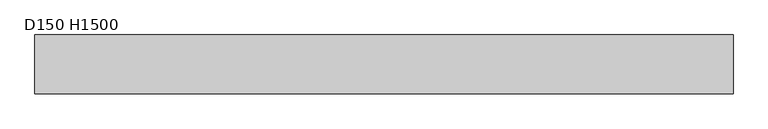
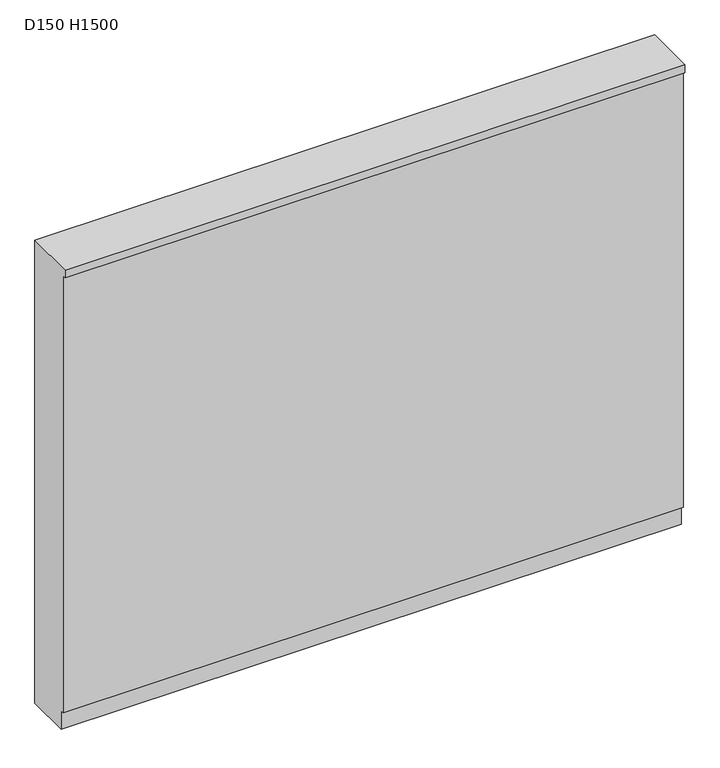
"""IFC4 building model written with IfcOpenShell, lengths in millimetres: proxy geometry, D150 H1500."""

from ifc_helpers import new_model, si_unit, frame, origin, place, context, project, spatial, polyline, outline, extrude, source, transform, mapped, element, save


def d150_h1500_9903e80e(model_context):
    return source(origin(), model_context, "Body", "SweptSolid", [
        extrude(outline(polyline([(-160.0, 1475.0), (-160.0, 1500.0), (0.0, 1500.0), (0.0, 0.0), (-140.0, 0.0), (-140.0, 60.0), (-150.0, 60.0), (-150.0, 1475.0), (-160.0, 1475.0)])), frame((0.0, 0.0, 0.0), z_axis=(1.0, 0.0, 0.0), x_axis=(0.0, 1.0, 0.0)), (0.0, 0.0, 1.0), 1900.0),
    ])


if __name__ == "__main__":
    model = new_model("IFC4")
    model_context = context("Model", 3, world=origin())
    ifc_project = project(units=[si_unit("LENGTHUNIT", "METRE", prefix="MILLI")], contexts=[model_context])
    site = spatial("IfcSite", under=ifc_project)
    building = spatial("IfcBuilding", under=site)
    placement = place(None, origin())
    d150_h1500_shape = d150_h1500_9903e80e(model_context)
    element("IfcBuildingElementProxy", 1, Name="D150 H1500", ObjectType="D150 H1500", at=placement, inside=building, context=model_context, shape_type="MappedRepresentation", body=[
        mapped(d150_h1500_shape, transform((0.0, 0.0, 0.0), x_axis=(1.0, 0.0, 0.0), y_axis=(0.0, 1.0, 0.0), z_axis=(0.0, 0.0, 1.0))),
    ])
    save(model, "model.ifc")
